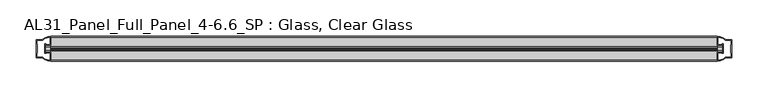
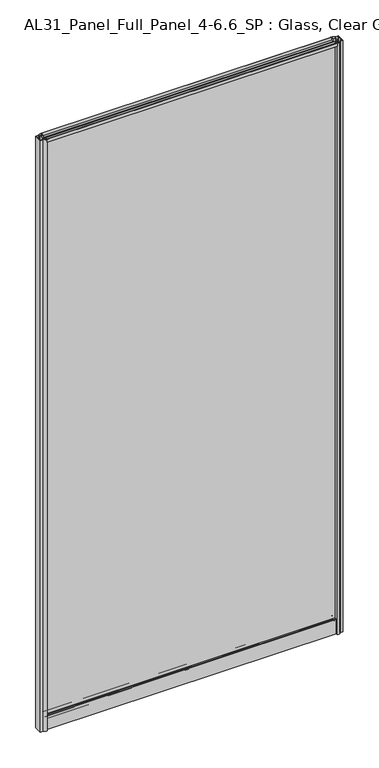
"""IFC4 building model written with IfcOpenShell, lengths in millimetres: plate geometry, AL31_Panel_Full_Panel_4-6.6_SP : Glass, Clear Glass."""

from ifc_helpers import new_model, si_unit, point, frame, frame_2d, origin, origin_with_axes, place, context, project, spatial, polyline, circle_curve, trimmed, segment, composite_curve, outline, extrude, source, transform, mapped, element, save


def al31_panel_full_panel_4_6_6_sp_glass_clear_glass_2b60e6b0(model_context):
    return source(origin(), model_context, "Body", "SweptSolid", [
        extrude(outline(composite_curve([segment(polyline([(-1.4, 1968.8980762), (-0.85, 1967.9454483)]), True, "CONTINUOUS"), segment(trimmed(circle_curve(frame_2d((0.1, 1966.3)), 1.9), [point((-0.85, 1967.9454483))], [point((1.05, 1967.9454483))], True, "CARTESIAN"), True, "CONTINUOUS"), segment(polyline([(1.05, 1967.9454483), (1.6, 1968.8980762)]), True, "CONTINUOUS"), segment(trimmed(circle_curve(frame_2d((0.1, 1966.3)), 3.0), [point((1.6, 1968.8980762))], [point((2.5718414, 1964.6))], False, "CARTESIAN"), True, "CONTINUOUS"), segment(polyline([(2.5718414, 1964.6), (15.7, 1964.6), (15.7, 1974.0), (17.0, 1974.0), (17.0, 1963.5), (6.7024688, 1963.5), (6.7024688, 1962.7), (6.1968782, 1960.7785039), (6.1968782, 1956.1), (5.0, 1956.1), (5.0, 1961.4339746), (5.5, 1962.3), (5.5, 1963.5), (-5.5, 1963.5), (-5.5, 1962.3), (-5.0, 1961.4339746), (-5.0, 1956.1), (-6.1968782, 1956.1), (-6.1968782, 1960.7785039), (-6.7024688, 1962.7), (-6.7024688, 1963.5), (-17.0, 1963.5), (-17.0, 1974.0), (-15.7, 1974.0), (-15.7, 1964.6), (-2.3718414, 1964.6)]), True, "CONTINUOUS"), segment(trimmed(circle_curve(frame_2d((0.1, 1966.3)), 3.0), [point((-2.3718414, 1964.6))], [point((-1.4, 1968.8980762))], False, "CARTESIAN"), True, "CONTINUOUS")], self_intersect=False)), frame((-458.1801316, 0.0, 0.0), z_axis=(1.0, 0.0, 0.0), x_axis=(0.0, 1.0, 0.0)), (0.0, 0.0, 1.0), 916.3602632),
        extrude(outline(composite_curve([segment(polyline([(-466.021553, -5.9), (-464.821553, -5.9), (-464.821553, -5.0), (-458.1801316, -5.0), (-458.1801316, -17.0001453)]), True, "CONTINUOUS"), segment(trimmed(circle_curve(frame_2d((-457.81548, 2.9965302)), 20.0), [point((-458.1801316, -17.0001453))], [point((-469.5359668, -13.2093388))], False, "CARTESIAN"), True, "CONTINUOUS"), segment(polyline([(-469.5359668, -13.2093388), (-469.5359668, -12.3279343), (-478.1801316, -12.3279343), (-478.1801316, 12.3720657), (-469.5359668, 12.3720657), (-469.5359668, 13.2095249)]), True, "CONTINUOUS"), segment(trimmed(circle_curve(frame_2d((-457.81548, -2.9963441)), 20.0), [point((-469.5359668, 13.2095249))], [point((-458.1801316, 17.0003314))], False, "CARTESIAN"), True, "CONTINUOUS"), segment(polyline([(-458.1801316, 17.0003314), (-458.1801316, 5.0), (-464.821553, 5.0), (-464.821553, 5.9), (-466.021553, 5.9), (-466.021553, -5.9)]), True, "CONTINUOUS")], self_intersect=False), holes=[composite_curve([segment(trimmed(circle_curve(frame_2d((-465.021553, 5.7)), 1.5), [point((-465.021553, 7.2))], [point((-463.6662987, 6.3428731))], False, "CARTESIAN"), True, "CONTINUOUS"), segment(polyline([(-463.6662987, 6.3428731), (-459.921553, 6.3428731), (-459.921553, 10.939223), (-459.4822131, 11.9998832), (-459.4822131, 15.6499817)]), True, "CONTINUOUS"), segment(trimmed(circle_curve(frame_2d((-457.81548, -2.9755921)), 18.7), [point((-459.4822131, 15.6499817))], [point((-467.8222578, 12.8216987))], True, "CARTESIAN"), True, "CONTINUOUS"), segment(trimmed(circle_curve(frame_2d((-469.621553, 12.8720657)), 1.8), [point((-467.8222578, 12.8216987))], [point((-469.621553, 11.0720657))], False, "CARTESIAN"), True, "CONTINUOUS"), segment(polyline([(-469.621553, 11.0720657), (-476.7629743, 11.0720657), (-476.7629743, 6.5019606), (-476.321553, 5.439223), (-476.321553, -5.3950916), (-476.821553, -6.3879987), (-476.821553, -11.0279343), (-469.621553, -11.0279343)]), True, "CONTINUOUS"), segment(trimmed(circle_curve(frame_2d((-469.621553, -12.8279343)), 1.8), [point((-469.621553, -11.0279343))], [point((-467.8222578, -12.7775673))], False, "CARTESIAN"), True, "CONTINUOUS"), segment(trimmed(circle_curve(frame_2d((-457.81548, 3.0197235)), 18.7), [point((-467.8222578, -12.7775673))], [point((-459.4822131, -15.6058503))], True, "CARTESIAN"), True, "CONTINUOUS"), segment(polyline([(-459.4822131, -15.6058503), (-459.4822131, -11.9557518), (-459.921553, -10.8950916), (-459.921553, -6.2991308), (-463.6464012, -6.2991308)]), True, "CONTINUOUS"), segment(trimmed(circle_curve(frame_2d((-465.021553, -5.7)), 1.5), [point((-463.6464012, -6.2991308))], [point((-465.021553, -7.2))], False, "CARTESIAN"), True, "CONTINUOUS"), segment(polyline([(-465.021553, -7.2), (-467.321553, -7.2), (-467.321553, 7.2), (-465.021553, 7.2)]), True, "CONTINUOUS")], self_intersect=False)]), origin_with_axes(), (0.0, 0.0, 1.0), 1974.0),
        extrude(outline(composite_curve([segment(polyline([(466.021553, 5.9), (464.821553, 5.9), (464.821553, 5.0), (458.1801316, 5.0), (458.1801316, 17.0001453)]), True, "CONTINUOUS"), segment(trimmed(circle_curve(frame_2d((457.81548, -2.9965302)), 20.0), [point((458.1801316, 17.0001453))], [point((469.5359668, 13.2093388))], False, "CARTESIAN"), True, "CONTINUOUS"), segment(polyline([(469.5359668, 13.2093388), (469.5359668, 12.3279343), (478.1801316, 12.3279343), (478.1801316, -12.3720657), (469.5359668, -12.3720657), (469.5359668, -13.2095249)]), True, "CONTINUOUS"), segment(trimmed(circle_curve(frame_2d((457.81548, 2.9963441)), 20.0), [point((469.5359668, -13.2095249))], [point((458.1801316, -17.0003314))], False, "CARTESIAN"), True, "CONTINUOUS"), segment(polyline([(458.1801316, -17.0003314), (458.1801316, -5.0), (464.821553, -5.0), (464.821553, -5.9), (466.021553, -5.9), (466.021553, 5.9)]), True, "CONTINUOUS")], self_intersect=False), holes=[composite_curve([segment(trimmed(circle_curve(frame_2d((465.021553, -5.7)), 1.5), [point((465.021553, -7.2))], [point((463.6662987, -6.3428731))], False, "CARTESIAN"), True, "CONTINUOUS"), segment(polyline([(463.6662987, -6.3428731), (459.921553, -6.3428731), (459.921553, -10.939223), (459.4822131, -11.9998832), (459.4822131, -15.6499817)]), True, "CONTINUOUS"), segment(trimmed(circle_curve(frame_2d((457.81548, 2.9755921)), 18.7), [point((459.4822131, -15.6499817))], [point((467.8222578, -12.8216987))], True, "CARTESIAN"), True, "CONTINUOUS"), segment(trimmed(circle_curve(frame_2d((469.621553, -12.8720657)), 1.8), [point((467.8222578, -12.8216987))], [point((469.621553, -11.0720657))], False, "CARTESIAN"), True, "CONTINUOUS"), segment(polyline([(469.621553, -11.0720657), (476.7629743, -11.0720657), (476.7629743, -6.5019606), (476.321553, -5.439223), (476.321553, 5.3950916), (476.821553, 6.3879987), (476.821553, 11.0279343), (469.621553, 11.0279343)]), True, "CONTINUOUS"), segment(trimmed(circle_curve(frame_2d((469.621553, 12.8279343)), 1.8), [point((469.621553, 11.0279343))], [point((467.8222578, 12.7775673))], False, "CARTESIAN"), True, "CONTINUOUS"), segment(trimmed(circle_curve(frame_2d((457.81548, -3.0197235)), 18.7), [point((467.8222578, 12.7775673))], [point((459.4822131, 15.6058503))], True, "CARTESIAN"), True, "CONTINUOUS"), segment(polyline([(459.4822131, 15.6058503), (459.4822131, 11.9557518), (459.921553, 10.8950916), (459.921553, 6.2991308), (463.6464012, 6.2991308)]), True, "CONTINUOUS"), segment(trimmed(circle_curve(frame_2d((465.021553, 5.7)), 1.5), [point((463.6464012, 6.2991308))], [point((465.021553, 7.2))], False, "CARTESIAN"), True, "CONTINUOUS"), segment(polyline([(465.021553, 7.2), (467.321553, 7.2), (467.321553, -7.2), (465.021553, -7.2)]), True, "CONTINUOUS")], self_intersect=False)]), origin_with_axes(), (0.0, 0.0, 1.0), 1974.0),
        extrude(outline(composite_curve([segment(trimmed(circle_curve(frame_2d((-8.4, 34.8)), 1.0), [point((-8.4, 35.8))], [point((-9.4, 34.8))], True, "CARTESIAN"), True, "CONTINUOUS"), segment(polyline([(-9.4, 34.8), (-9.4, 33.5), (-5.0000303, 33.5), (-5.0000303, 32.3), (-9.4, 32.3), (-9.4, 0.0), (-10.6, 0.0), (-10.6, 47.3)]), True, "CONTINUOUS"), segment(trimmed(circle_curve(frame_2d((-8.6, 47.3)), 2.0), [point((-10.6, 47.3))], [point((-8.6, 49.3))], False, "CARTESIAN"), True, "CONTINUOUS"), segment(polyline([(-8.6, 49.3), (-5.0, 49.3), (-5.0, 41.9), (5.0, 41.9), (5.0, 49.3), (8.6, 49.3)]), True, "CONTINUOUS"), segment(trimmed(circle_curve(frame_2d((8.6, 47.3)), 2.0), [point((8.6, 49.3))], [point((10.6, 47.3))], False, "CARTESIAN"), True, "CONTINUOUS"), segment(polyline([(10.6, 47.3), (10.6, 0.0), (9.4, 0.0), (9.4, 32.3), (4.9999697, 32.3), (4.9999697, 33.5), (9.4, 33.5), (9.4, 34.8)]), True, "CONTINUOUS"), segment(trimmed(circle_curve(frame_2d((8.4, 34.8)), 1.0), [point((9.4, 34.8))], [point((8.4, 35.8))], True, "CARTESIAN"), True, "CONTINUOUS"), segment(polyline([(8.4, 35.8), (-8.4, 35.8)]), True, "CONTINUOUS")], self_intersect=False), holes=[composite_curve([segment(trimmed(circle_curve(frame_2d((5.5024688, 41.8)), 1.0), [point((6.5024688, 41.8))], [point((5.5024688, 40.8))], False, "CARTESIAN"), True, "CONTINUOUS"), segment(polyline([(5.5024688, 40.8), (2.8008965, 40.8), (2.8008965, 39.7274194), (1.8370508, 39.7274194)]), True, "CONTINUOUS"), segment(trimmed(circle_curve(frame_2d((0.0, 38.7)), 2.1048387), [point((1.8370508, 39.7274194))], [point((-1.8370508, 39.7274194))], True, "CARTESIAN"), True, "CONTINUOUS"), segment(polyline([(-1.8370508, 39.7274194), (-2.8008965, 39.7274194), (-2.8008965, 40.8), (-5.5024688, 40.8)]), True, "CONTINUOUS"), segment(trimmed(circle_curve(frame_2d((-5.5024688, 41.8)), 1.0), [point((-5.5024688, 40.8))], [point((-6.5024688, 41.8))], False, "CARTESIAN"), True, "CONTINUOUS"), segment(polyline([(-6.5024688, 41.8), (-6.5024688, 42.7)]), True, "CONTINUOUS"), segment(trimmed(circle_curve(frame_2d((-5.3024688, 42.7)), 1.2), [point((-6.5024688, 42.7))], [point((-6.1198184, 43.5786009))], False, "CARTESIAN"), True, "CONTINUOUS"), segment(polyline([(-6.1198184, 43.5786009), (-6.1198184, 48.2), (-8.4, 48.2)]), True, "CONTINUOUS"), segment(trimmed(circle_curve(frame_2d((-8.4, 47.2)), 1.0), [point((-8.4, 48.2))], [point((-9.4, 47.2))], True, "CARTESIAN"), True, "CONTINUOUS"), segment(polyline([(-9.4, 47.2), (-9.4, 37.04), (-2.8008965, 37.04), (-2.8008965, 38.0725806), (-1.8370508, 38.0725806)]), True, "CONTINUOUS"), segment(trimmed(circle_curve(frame_2d((0.0, 39.1)), 2.1048387), [point((-1.8370508, 38.0725806))], [point((1.8370508, 38.0725806))], True, "CARTESIAN"), True, "CONTINUOUS"), segment(polyline([(1.8370508, 38.0725806), (2.8008965, 38.0725806), (2.8008965, 37.04), (9.4, 37.04), (9.4, 47.2)]), True, "CONTINUOUS"), segment(trimmed(circle_curve(frame_2d((8.4, 47.2)), 1.0), [point((9.4, 47.2))], [point((8.4, 48.2))], True, "CARTESIAN"), True, "CONTINUOUS"), segment(polyline([(8.4, 48.2), (6.1198184, 48.2), (6.1198184, 43.7786009)]), True, "CONTINUOUS"), segment(trimmed(circle_curve(frame_2d((5.3024688, 42.9)), 1.2), [point((6.1198184, 43.7786009))], [point((6.5024688, 42.9))], False, "CARTESIAN"), True, "CONTINUOUS"), segment(polyline([(6.5024688, 42.9), (6.5024688, 41.8)]), True, "CONTINUOUS")], self_intersect=False)]), frame((-458.1801316, 0.0, 0.0), z_axis=(1.0, 0.0, 0.0), x_axis=(0.0, 1.0, 0.0)), (0.0, 0.0, 1.0), 916.3602632),
        extrude(outline(polyline([(466.021553, 2.0), (466.021553, -2.0), (-466.021553, -2.0), (-466.021553, 2.0), (466.021553, 2.0)])), frame((0.0, 0.0, 41.9), z_axis=(0.0, 0.0, 1.0), x_axis=(1.0, 0.0, 0.0)), (0.0, 0.0, 1.0), 1921.6),
    ])


if __name__ == "__main__":
    model = new_model("IFC4")
    model_context = context("Model", 3, world=origin())
    ifc_project = project(units=[si_unit("LENGTHUNIT", "METRE", prefix="MILLI")], contexts=[model_context])
    site = spatial("IfcSite", under=ifc_project)
    building = spatial("IfcBuilding", under=site)
    placement = place(None, origin())
    al31_panel_full_panel_4_6_6_sp_glass_clear_glass_shape = al31_panel_full_panel_4_6_6_sp_glass_clear_glass_2b60e6b0(model_context)
    element("IfcPlate", 1, ObjectType="AL31_Panel_Full_Panel_4-6.6_SP : Glass, Clear Glass", at=placement, inside=building, context=model_context, shape_type="MappedRepresentation", body=[
        mapped(al31_panel_full_panel_4_6_6_sp_glass_clear_glass_shape, transform((0.0, 0.0, 0.0), x_axis=(1.0, 0.0, 0.0), y_axis=(0.0, 1.0, 0.0), z_axis=(0.0, 0.0, 1.0))),
    ])
    save(model, "model.ifc")
